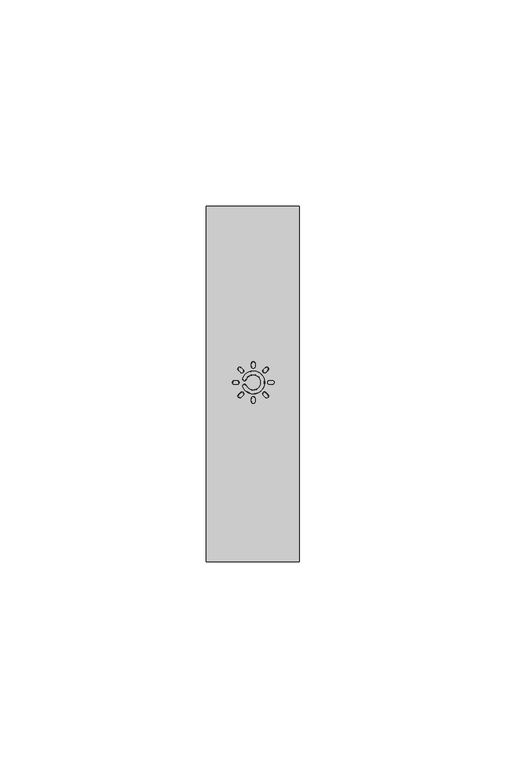
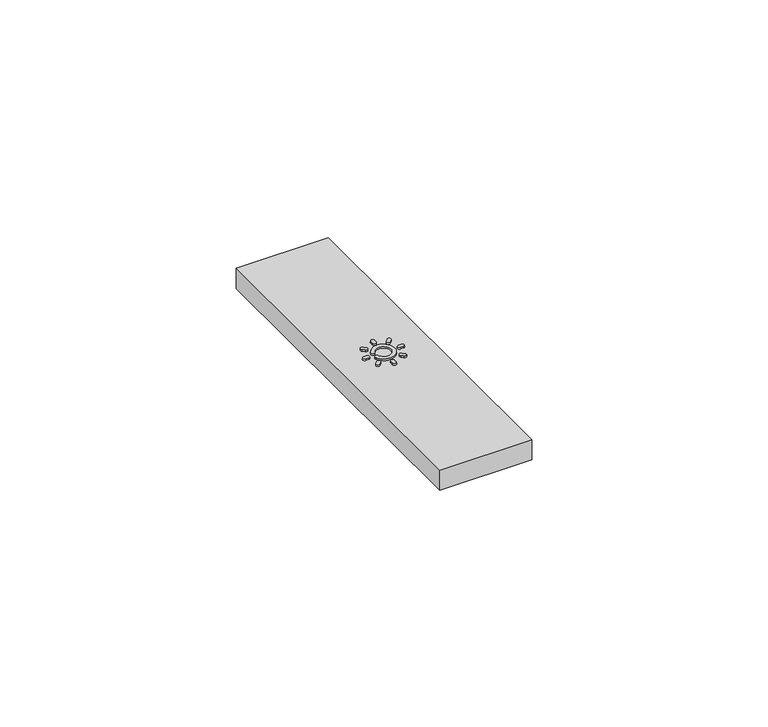
"""IFC4 building model written with IfcOpenShell, lengths in millimetres: proxy geometry."""

import ifcopenshell
import ifcopenshell.guid

model = None  # the IFC model being written
_history = None  # IfcOwnerHistory: only IFC2X3 demands one
_inside = {}  # id of a spatial element -> (the spatial element, [elements in it])
_under = {}  # id of a project, library or spatial element -> (it, [spatial elements below it])
_declared = {}  # id of a project -> (the project, [libraries it declares])
_typed = {}  # id of a type object -> (the type object, [elements of that type])
_made_of = {}  # id of a material, layer set ... -> (it, [elements and type objects made of it])


def new_model(schema):
    """Start an empty IFC model of exactly this schema.

    Asked for "IFC4X3", IfcOpenShell would pick the latest addendum, in which some entities
    have other attributes; the version numbers below select the first issue.
    IFC2X3 requires an IfcOwnerHistory on every rooted entity: one is made here for all.
    """
    global model, _history
    if schema == "IFC4X3":
        model = ifcopenshell.file(schema_version=(4, 3, 0, 0))
    else:
        model = ifcopenshell.file(schema=schema)
    _inside.clear()
    _under.clear()
    _declared.clear()
    _typed.clear()
    _made_of.clear()
    _history = None
    if model.schema == "IFC2X3":
        org = make("IfcOrganization", Name="unknown")
        user = make(
            "IfcPersonAndOrganization",
            ThePerson=make("IfcPerson", FamilyName="unknown"),
            TheOrganization=org,
        )
        app = make(
            "IfcApplication",
            ApplicationDeveloper=org,
            Version="unknown",
            ApplicationFullName="unknown",
            ApplicationIdentifier="unknown",
        )
        _history = make(
            "IfcOwnerHistory",
            OwningUser=user,
            OwningApplication=app,
            ChangeAction="ADDED",
            CreationDate=0,
        )
    return model


def make(cls, **values):
    """One entity of the class cls with the attributes given. An attribute that is None is left unset."""
    return model.create_entity(
        cls, **{name: value for name, value in values.items() if value is not None}
    )


def rooted(cls, **values):
    """An entity with a GlobalId (a new one), such as an element, a storey or a relation."""
    return make(cls, GlobalId=ifcopenshell.guid.new(), OwnerHistory=_history, **values)


def si_unit(unit_type, name, prefix=None):
    """IfcSIUnit, for example si_unit("LENGTHUNIT", "METRE", prefix="MILLI")."""
    return make("IfcSIUnit", UnitType=unit_type, Prefix=prefix, Name=name)


def assignment(units):
    """IfcUnitAssignment: the units of a project."""
    return None if units is None else make("IfcUnitAssignment", Units=units)


def point(xyz):
    """IfcCartesianPoint."""
    return None if xyz is None else make("IfcCartesianPoint", Coordinates=xyz)


def direction(xyz):
    """IfcDirection."""
    return None if xyz is None else make("IfcDirection", DirectionRatios=xyz)


def frame(location, z_axis=None, x_axis=None):
    """IfcAxis2Placement3D, a coordinate frame: its origin and axes. An axis left out is left unset."""
    return make(
        "IfcAxis2Placement3D",
        Location=point(location),
        Axis=direction(z_axis),
        RefDirection=direction(x_axis),
    )


def origin():
    """The frame at (0, 0, 0) with its axes left unset."""
    return frame((0.0, 0.0, 0.0))


def place(relative_to, where):
    """IfcLocalPlacement: puts the frame where relative to a parent placement (None: the world)."""
    return make(
        "IfcLocalPlacement", PlacementRelTo=relative_to, RelativePlacement=where
    )


def context(
    kind, dimensions, precision=None, world=None, true_north=None, identifier=None
):
    """IfcGeometricRepresentationContext, for example the 3D "Model" context."""
    return make(
        "IfcGeometricRepresentationContext",
        ContextIdentifier=identifier,
        ContextType=kind,
        CoordinateSpaceDimension=dimensions,
        Precision=precision,
        WorldCoordinateSystem=world,
        TrueNorth=true_north,
    )


def project(units=None, contexts=None):
    """IfcProject with its units and contexts."""
    return rooted(
        "IfcProject",
        Name="project",
        RepresentationContexts=contexts,
        UnitsInContext=assignment(units),
    )


def spatial(cls, under=None, at=None, **own):
    """A site, building, storey or space (cls), placed at a placement, below another one or the project."""
    s = rooted(cls, ObjectPlacement=at, **own)
    if under is not None:
        _under.setdefault(under.id(), (under, []))[1].append(s)
    return s


def polyline(points):
    """IfcPolyline through the points."""
    return make("IfcPolyline", Points=[point(p) for p in points])


def circle_curve(where, radius):
    """IfcCircle in the frame where."""
    return make("IfcCircle", Position=where, Radius=radius)


def outline(outer, holes=None, kind="AREA"):
    """IfcArbitraryClosedProfileDef: a profile drawn as a closed curve; with holes, ...WithVoids."""
    if holes is None:
        return make("IfcArbitraryClosedProfileDef", ProfileType=kind, OuterCurve=outer)
    return make(
        "IfcArbitraryProfileDefWithVoids",
        ProfileType=kind,
        OuterCurve=outer,
        InnerCurves=holes,
    )


def extrude(swept, where, along, depth):
    """IfcExtrudedAreaSolid: the profile swept, set in the frame where, extruded along a direction by depth."""
    return make(
        "IfcExtrudedAreaSolid",
        SweptArea=swept,
        Position=where,
        ExtrudedDirection=direction(along),
        Depth=depth,
    )


def shape(context_of_items, identifier, shape_type, items):
    """IfcShapeRepresentation: the items that make up one representation, for example the "Body"."""
    return make(
        "IfcShapeRepresentation",
        ContextOfItems=context_of_items,
        RepresentationIdentifier=identifier,
        RepresentationType=shape_type,
        Items=items,
    )


def source(mapping_origin, context_of_items, identifier, shape_type, items):
    """IfcRepresentationMap: a shape defined once, which mapped items show again and again."""
    return make(
        "IfcRepresentationMap",
        MappingOrigin=mapping_origin,
        MappedRepresentation=shape(context_of_items, identifier, shape_type, items),
    )


def transform(
    local_origin,
    x_axis=None,
    y_axis=None,
    z_axis=None,
    scale=None,
    scale2=None,
    scale3=None,
    uniform=True,
):
    """IfcCartesianTransformationOperator3D, or its non-uniform kind. x_axis, y_axis, z_axis: its Axis1, 2, 3."""
    if uniform:
        return make(
            "IfcCartesianTransformationOperator3D",
            Axis1=direction(x_axis),
            Axis2=direction(y_axis),
            LocalOrigin=point(local_origin),
            Scale=scale,
            Axis3=direction(z_axis),
        )
    return make(
        "IfcCartesianTransformationOperator3DnonUniform",
        Axis1=direction(x_axis),
        Axis2=direction(y_axis),
        LocalOrigin=point(local_origin),
        Scale=scale,
        Axis3=direction(z_axis),
        Scale2=scale2,
        Scale3=scale3,
    )


def mapped(mapping_source, mapping_target):
    """IfcMappedItem: shows the shape of a source again, moved by a transform."""
    return make(
        "IfcMappedItem", MappingSource=mapping_source, MappingTarget=mapping_target
    )


def made_of(thing, what):
    """Note that an element or type object is made of a material, layer set ...; save() writes the relation."""
    if what is not None:
        _made_of.setdefault(what.id(), (what, []))[1].append(thing)
    return thing


def element(
    cls,
    number,
    at=None,
    inside=None,
    cuts=None,
    type_object=None,
    material=None,
    context=None,
    identifier="Body",
    shape_type=None,
    held_by="IfcProductDefinitionShape",
    body=None,
    shapes=None,
    **own,
):
    """One element of the class cls, such as IfcWall. Its Tag is "e" and its number.

    at: its placement. inside: the storey or other place that contains it. cuts: it is an
    opening in that element (IfcRelVoidsElement). A single representation is given by context,
    identifier, shape_type and body (its items); several are given by shapes. held_by: the class
    of the entity that holds the representations. save() writes the other relations.
    """
    e = rooted(cls, Tag="e%d" % number, ObjectPlacement=at, **own)
    if body is not None:
        shapes = [shape(context, identifier, shape_type, body)]
    if shapes is not None:
        e.Representation = make(held_by, Representations=shapes)
    if inside is not None:
        _inside.setdefault(inside.id(), (inside, []))[1].append(e)
    if cuts is not None:
        rooted(
            "IfcRelVoidsElement", RelatingBuildingElement=cuts, RelatedOpeningElement=e
        )
    if type_object is not None:
        _typed.setdefault(type_object.id(), (type_object, []))[1].append(e)
    return made_of(e, material)


def aggregate(whole, parts):
    """IfcRelAggregates: a whole, such as a stair, and the parts it consists of."""
    return rooted("IfcRelAggregates", RelatingObject=whole, RelatedObjects=parts)


def save(model, path):
    """Write the relations noted so far, then the file.

    IfcRelAggregates (storeys below a building ...), IfcRelContainedInSpatialStructure (elements
    in a storey), IfcRelDefinesByType, IfcRelAssociatesMaterial and IfcRelDeclares: one each for
    every whole, place, type object, material and project.
    """
    for whole, parts in _under.values():
        aggregate(whole, parts)
    for where, things in _inside.values():
        rooted(
            "IfcRelContainedInSpatialStructure",
            RelatedElements=things,
            RelatingStructure=where,
        )
    for kind, things in _typed.values():
        rooted("IfcRelDefinesByType", RelatedObjects=things, RelatingType=kind)
    for what, things in _made_of.values():
        rooted("IfcRelAssociatesMaterial", RelatedObjects=things, RelatingMaterial=what)
    for by, libraries in _declared.values():
        rooted("IfcRelDeclares", RelatingContext=by, RelatedDefinitions=libraries)
    model.write(path)


def plane_surface(at):
    """IfcPlane: the flat surface through the origin of the frame at, square to its z axis."""
    return make("IfcPlane", Position=at)


def revolved_surface(curve, axis_point, axis_direction):
    """IfcSurfaceOfRevolution: the curve turned about the line through axis_point along axis_direction."""
    return make(
        "IfcSurfaceOfRevolution",
        SweptCurve=make("IfcArbitraryOpenProfileDef", ProfileType="CURVE", Curve=curve),
        AxisPosition=make("IfcAxis1Placement", Location=point(axis_point), Axis=direction(axis_direction)),
    )


def advanced_brep(points, edges, surfaces, faces):
    """IfcAdvancedBrep: a solid bounded by faces that lie on surfaces and meet in shared edges.

    An edge is (start, end): straight between two places in points (the first is 0);
    or (start, end, curve); or (start, end, curve, False) where it runs against its curve.
    A face is (place in surfaces, loops), or (place, loops, False) where it looks against
    its surface's normal. A loop lists edges by number (the first is 1), with a minus sign
    where the edge is run from its end to its start. The first loop is the outer one.
    """
    corners = [point(p) for p in points]
    vertices = [make("IfcVertexPoint", VertexGeometry=c) for c in corners]
    made = []
    for start, end, *more in edges:
        made.append(
            make(
                "IfcEdgeCurve",
                EdgeStart=vertices[start],
                EdgeEnd=vertices[end],
                EdgeGeometry=more[0] if more else make("IfcPolyline", Points=[corners[start], corners[end]]),
                SameSense=more[1] if len(more) > 1 else True,
            )
        )
    hull = []
    for where, loops, *sense in faces:
        bounds = []
        for j, loop in enumerate(loops):
            ring = [make("IfcOrientedEdge", EdgeElement=made[abs(k) - 1], Orientation=k > 0) for k in loop]
            bounds.append(
                make(
                    "IfcFaceOuterBound" if j == 0 else "IfcFaceBound",
                    Bound=make("IfcEdgeLoop", EdgeList=ring),
                    Orientation=True,
                )
            )
        hull.append(make("IfcAdvancedFace", Bounds=bounds, FaceSurface=surfaces[where], SameSense=sense[0] if sense else True))
    return make("IfcAdvancedBrep", Outer=make("IfcClosedShell", CfsFaces=hull))


def electrical_fixtures_375c4212(model_context):
    return source(origin(), model_context, "Body", "SolidModel", [
        advanced_brep(
        [(6.7379609, 43.8107748, 11.1074072), (6.7379609, 42.94208, 11.1074072), (7.4379655, 42.94208, 11.1074072), (7.4379609, 43.8107748, 11.1074072), (7.4379609, 43.8464183, 10.7), (7.4379655, 42.9064365, 10.7), (6.7379609, 42.9064365, 10.7), (6.7379609, 43.8464183, 10.7)],
        [
            (0, 1, circle_curve(frame((6.7379609, 43.3764274, 11.1074072), z_axis=(0.0, 0.0, 1.0), x_axis=(0.0, 1.0000000000000002, 0.0)), 0.4343474)),
            (1, 2),
            (2, 3, circle_curve(frame((7.4379609, 43.3764274, 11.1074072), z_axis=(0.0, 0.0, 1.0), x_axis=(1.1578075136041428e-05, -0.9999999999329744, 0.0)), 0.4343474)),
            (3, 0),
            (4, 5, circle_curve(frame((7.4379609, 43.3764274, 10.7), z_axis=(0.0, 0.0, -1.0), x_axis=(1.1578075136041428e-05, -0.9999999999329744, 0.0)), 0.4699909)),
            (5, 6),
            (6, 7, circle_curve(frame((6.7379609, 43.3764274, 10.7), z_axis=(0.0, 0.0, -1.0), x_axis=(0.0, 1.0000000000000002, 0.0)), 0.4699909)),
            (7, 4),
            (7, 0),
            (3, 4),
            (6, 1),
            (5, 2),
        ],
        [
            plane_surface(frame((11.3379609, 43.3764274, 11.1074072), z_axis=(0.0, 0.0, 1.0), x_axis=(1.0, 0.0, 0.0))),
            plane_surface(frame((11.3379609, 43.3764274, 10.7), z_axis=(0.0, 0.0, -1.0), x_axis=(1.0, 0.0, 0.0))),
            plane_surface(frame((11.3379609, 43.7764274, 11.5), z_axis=(0.0, 0.9961946980917439, 0.0871557427476776), x_axis=(-1.0, 0.0, 0.0))),
            revolved_surface(polyline([(6.7379609, 43.81077479075854, 11.1074072), (6.7379609, 43.8464183, 10.7)]), (6.7379609, 43.3764274, 16.0720209), (0.0, 0.0, -1.0)),
            plane_surface(frame((11.3379609, 42.9764274, 11.5), z_axis=(0.0, -0.9961946980917439, 0.0871557427476776), x_axis=(-1.0, 0.0, 0.0))),
            revolved_surface(polyline([(7.437965151141879, 42.94208000924146, 11.1074072), (7.4379655, 42.9064365, 10.7)]), (7.4379609, 43.3764274, 16.0720209), (0.0, 0.0, -1.0)),
        ],
        [
            (0, [[1, 2, 3, 4]]),
            (1, [[5, 6, 7, 8]]),
            (2, [[-8, 9, -4, 10]]),
            (3, [[-7, 11, -1, -9]]),
            (4, [[12, -2, -11, -6]]),
            (5, [[-5, -10, -3, -12]]),
        ],
    ),
        advanced_brep(
        [(7.7781397, 40.4308662, 11.1074072), (8.3923997, 39.8166062, 11.1074072), (8.8873777, 40.3115842, 11.1074072), (8.2731145, 40.925841, 11.1074072), (8.4176035, 39.7914024, 10.7), (7.752936, 40.45607, 10.7), (8.2479107, 40.9510447, 10.7), (8.9125815, 40.2863804, 10.7)],
        [
            (0, 1, circle_curve(frame((8.0852697, 40.1237362, 11.1074072), z_axis=(0.0, 0.0, 1.0), x_axis=(-0.7071067811865489, 0.7071067811865462, 0.0)), 0.4343474)),
            (1, 2),
            (2, 3, circle_curve(frame((8.5802445, 40.618711, 11.1074072), z_axis=(0.0, 0.0, 1.0), x_axis=(0.7071149680746551, -0.7070985942036513, 0.0)), 0.4343474)),
            (3, 0),
            (4, 5, circle_curve(frame((8.0852697, 40.1237362, 10.7), z_axis=(0.0, 0.0, -1.0), x_axis=(-0.7071067811865489, 0.7071067811865462, 0.0)), 0.4699909)),
            (5, 6),
            (6, 7, circle_curve(frame((8.5802445, 40.618711, 10.7), z_axis=(0.0, 0.0, -1.0), x_axis=(0.7071149680746551, -0.7070985942036513, 0.0)), 0.4699909)),
            (7, 4),
            (5, 0),
            (3, 6),
            (4, 1),
            (7, 2),
        ],
        [
            plane_surface(frame((11.3379609, 43.3764274, 11.1074072), z_axis=(0.0, 0.0, 1.0), x_axis=(1.0, 0.0, 0.0))),
            plane_surface(frame((11.3379609, 43.3764274, 10.7), z_axis=(0.0, 0.0, -1.0), x_axis=(1.0, 0.0, 0.0))),
            plane_surface(frame((11.0551182, 43.6592701, 11.5), z_axis=(-0.7044160264027598, 0.7044160264027562, 0.08715574274767007), x_axis=(0.7071067811865458, 0.7071067811865493, 0.0))),
            revolved_surface(polyline([(7.778139763109455, 40.43086622930667, 11.1074072), (7.752936, 40.45607, 10.7)]), (8.0852697, 40.1237362, 16.0720209), (0.0, 0.0, -1.0)),
            plane_surface(frame((11.6208036, 43.0935847, 11.5), z_axis=(0.7044160264027598, -0.7044160264027562, 0.08715574274767007), x_axis=(-0.7071067811865458, -0.7071067811865493, 0.0))),
            revolved_surface(polyline([(8.887377486622762, 40.31158392800941, 11.1074072), (8.9125815, 40.2863804, 10.7)]), (8.5802445, 40.618711, 16.0720209), (0.0, 0.0, -1.0)),
        ],
        [
            (0, [[1, 2, 3, 4]]),
            (1, [[5, 6, 7, 8]]),
            (2, [[9, -4, 10, -6]]),
            (3, [[-5, 11, -1, -9]]),
            (4, [[12, -2, -11, -8]]),
            (5, [[-7, -10, -3, -12]]),
        ],
    ),
        advanced_brep(
        [(10.9036135, 38.7764274, 11.1074072), (11.7723084, 38.7764274, 11.1074072), (11.7723084, 39.4764324, 11.1074072), (10.9036135, 39.4764274, 11.1074072), (10.86797, 39.4764274, 10.7), (11.8079519, 39.4764328, 10.7), (11.8079519, 38.7764274, 10.7), (10.86797, 38.7764274, 10.7)],
        [
            (0, 1, circle_curve(frame((11.3379609, 38.7764274, 11.1074072), z_axis=(0.0, 0.0, 1.0), x_axis=(-1.0000000000000002, 0.0, 0.0)), 0.4343474)),
            (1, 2),
            (2, 3, circle_curve(frame((11.3379609, 39.4764274, 11.1074072), z_axis=(0.0, 0.0, 1.0), x_axis=(0.9999999999329744, 1.1578075136041428e-05, 0.0)), 0.4343474)),
            (3, 0),
            (4, 5, circle_curve(frame((11.3379609, 39.4764274, 10.7), z_axis=(0.0, 0.0, -1.0), x_axis=(0.9999999999329744, 1.1578075136041428e-05, 0.0)), 0.4699909)),
            (5, 6),
            (6, 7, circle_curve(frame((11.3379609, 38.7764274, 10.7), z_axis=(0.0, 0.0, -1.0), x_axis=(-1.0000000000000002, 0.0, 0.0)), 0.4699909)),
            (7, 4),
            (4, 3),
            (2, 5),
            (7, 0),
            (6, 1),
        ],
        [
            plane_surface(frame((11.3379609, 43.3764274, 11.1074072), z_axis=(0.0, 0.0, 1.0), x_axis=(1.0, 0.0, 0.0))),
            plane_surface(frame((11.3379609, 43.3764274, 10.7), z_axis=(0.0, 0.0, -1.0), x_axis=(1.0, 0.0, 0.0))),
            revolved_surface(polyline([(11.772308383174666, 39.4764323904709, 11.1074072), (11.8079519, 39.4764328, 10.7)]), (11.3379609, 39.4764274, 16.0720209), (0.0, 0.0, -1.0)),
            plane_surface(frame((10.9379609, 43.3764274, 11.5), z_axis=(-0.9961946980917439, 0.0, 0.0871557427476776), x_axis=(0.0, -1.0, 0.0))),
            revolved_surface(polyline([(10.903613509241463, 38.7764274, 11.1074072), (10.86797, 38.7764274, 10.7)]), (11.3379609, 38.7764274, 16.0720209), (0.0, 0.0, -1.0)),
            plane_surface(frame((11.7379609, 43.3764274, 11.5), z_axis=(0.9961946980917439, 0.0, 0.0871557427476776), x_axis=(0.0, -1.0, 0.0))),
        ],
        [
            (0, [[1, 2, 3, 4]]),
            (1, [[5, 6, 7, 8]]),
            (2, [[-5, 9, -3, 10]]),
            (3, [[-8, 11, -4, -9]]),
            (4, [[-7, 12, -1, -11]]),
            (5, [[-10, -2, -12, -6]]),
        ],
    ),
        advanced_brep(
        [(14.2835221, 39.8166062, 11.1074072), (14.8977821, 40.4308662, 11.1074072), (14.4028041, 40.9258442, 11.1074072), (13.7885474, 40.3115809, 11.1074072), (14.9229859, 40.45607, 10.7), (14.2583184, 39.7914024, 10.7), (13.7633436, 40.2863772, 10.7), (14.4280079, 40.951048, 10.7)],
        [
            (0, 1, circle_curve(frame((14.5906521, 40.1237362, 11.1074072), z_axis=(0.0, 0.0, 1.0), x_axis=(-0.7071067811865462, -0.7071067811865489, 0.0)), 0.4343474)),
            (1, 2),
            (2, 3, circle_curve(frame((14.0956774, 40.618711, 11.1074072), z_axis=(0.0, 0.0, 1.0), x_axis=(0.707098594203652, 0.7071149680746545, 0.0)), 0.4343474)),
            (3, 0),
            (4, 5, circle_curve(frame((14.5906521, 40.1237362, 10.7), z_axis=(0.0, 0.0, -1.0), x_axis=(-0.7071067811865462, -0.7071067811865489, 0.0)), 0.4699909)),
            (5, 6),
            (6, 7, circle_curve(frame((14.0956774, 40.618711, 10.7), z_axis=(0.0, 0.0, -1.0), x_axis=(0.707098594203652, 0.7071149680746545, 0.0)), 0.4699909)),
            (7, 4),
            (7, 2),
            (1, 4),
            (6, 3),
            (5, 0),
        ],
        [
            plane_surface(frame((11.3379609, 43.3764274, 11.1074072), z_axis=(0.0, 0.0, 1.0), x_axis=(1.0, 0.0, 0.0))),
            plane_surface(frame((11.3379609, 43.3764274, 10.7), z_axis=(0.0, 0.0, -1.0), x_axis=(1.0, 0.0, 0.0))),
            plane_surface(frame((11.6208036, 43.6592701, 11.5), z_axis=(0.7044160264027562, 0.7044160264027598, 0.08715574274767007), x_axis=(0.7071067811865493, -0.7071067811865458, 0.0))),
            revolved_surface(polyline([(14.402804379574457, 40.92584398662276, 11.1074072), (14.4280079, 40.951048, 10.7)]), (14.0956774, 40.618711, 16.0720209), (0.0, 0.0, -1.0)),
            plane_surface(frame((11.0551182, 43.0935847, 11.5), z_axis=(-0.7044160264027562, -0.7044160264027598, 0.08715574274767007), x_axis=(-0.7071067811865493, 0.7071067811865458, 0.0))),
            revolved_surface(polyline([(14.283522163109454, 39.816606170693326, 11.1074072), (14.2583184, 39.7914024, 10.7)]), (14.5906521, 40.1237362, 16.0720209), (0.0, 0.0, -1.0)),
        ],
        [
            (0, [[1, 2, 3, 4]]),
            (1, [[5, 6, 7, 8]]),
            (2, [[9, -2, 10, -8]]),
            (3, [[-7, 11, -3, -9]]),
            (4, [[12, -4, -11, -6]]),
            (5, [[-5, -10, -1, -12]]),
        ],
    ),
        advanced_brep(
        [(15.9379609, 42.94208, 11.1074072), (15.9379609, 43.8107748, 11.1074072), (15.2379563, 43.8107748, 11.1074072), (15.2379609, 42.94208, 11.1074072), (15.2379609, 42.9064365, 10.7), (15.2379563, 43.8464183, 10.7), (15.9379609, 43.8464183, 10.7), (15.9379609, 42.9064365, 10.7)],
        [
            (0, 1, circle_curve(frame((15.9379609, 43.3764274, 11.1074072), z_axis=(0.0, 0.0, 1.0), x_axis=(0.0, -1.0000000000000002, 0.0)), 0.4343474)),
            (1, 2),
            (2, 3, circle_curve(frame((15.2379609, 43.3764274, 11.1074072), z_axis=(0.0, 0.0, 1.0), x_axis=(-1.1578075137363286e-05, 0.9999999999329744, 0.0)), 0.4343474)),
            (3, 0),
            (4, 5, circle_curve(frame((15.2379609, 43.3764274, 10.7), z_axis=(0.0, 0.0, -1.0), x_axis=(-1.1578075137363286e-05, 0.9999999999329744, 0.0)), 0.4699909)),
            (5, 6),
            (6, 7, circle_curve(frame((15.9379609, 43.3764274, 10.7), z_axis=(0.0, 0.0, -1.0), x_axis=(0.0, -1.0000000000000002, 0.0)), 0.4699909)),
            (7, 4),
            (5, 2),
            (1, 6),
            (4, 3),
            (7, 0),
        ],
        [
            plane_surface(frame((11.3379609, 43.3764274, 11.1074072), z_axis=(0.0, 0.0, 1.0), x_axis=(1.0, 0.0, 0.0))),
            plane_surface(frame((11.3379609, 43.3764274, 10.7), z_axis=(0.0, 0.0, -1.0), x_axis=(1.0, 0.0, 0.0))),
            plane_surface(frame((11.3379609, 43.7764274, 11.5), z_axis=(0.0, 0.9961946980917439, 0.0871557427476776), x_axis=(1.0, 0.0, 0.0))),
            revolved_surface(polyline([(15.237956648858122, 43.81077479075854, 11.1074072), (15.2379563, 43.8464183, 10.7)]), (15.2379609, 43.3764274, 16.0720209), (0.0, 0.0, -1.0)),
            plane_surface(frame((11.3379609, 42.9764274, 11.5), z_axis=(0.0, -0.9961946980917439, 0.0871557427476776), x_axis=(1.0, 0.0, 0.0))),
            revolved_surface(polyline([(15.9379609, 42.94208000924146, 11.1074072), (15.9379609, 42.9064365, 10.7)]), (15.9379609, 43.3764274, 16.0720209), (0.0, 0.0, -1.0)),
        ],
        [
            (0, [[1, 2, 3, 4]]),
            (1, [[5, 6, 7, 8]]),
            (2, [[9, -2, 10, -6]]),
            (3, [[-5, 11, -3, -9]]),
            (4, [[-8, 12, -4, -11]]),
            (5, [[-7, -10, -1, -12]]),
        ],
    ),
        advanced_brep(
        [(14.8977821, 46.3219886, 11.1074072), (14.2835221, 46.9362486, 11.1074072), (13.7885441, 46.4412706, 11.1074072), (14.4028074, 45.8270138, 11.1074072), (14.4280112, 45.8018101, 10.7), (13.7633403, 46.4664744, 10.7), (14.2583184, 46.9614524, 10.7), (14.9229859, 46.2967848, 10.7)],
        [
            (0, 1, circle_curve(frame((14.5906521, 46.6291186, 11.1074072), z_axis=(0.0, 0.0, 1.0), x_axis=(0.7071067811865489, -0.7071067811865462, 0.0)), 0.4343474)),
            (1, 2),
            (2, 3, circle_curve(frame((14.0956774, 46.1341439, 11.1074072), z_axis=(0.0, 0.0, 1.0), x_axis=(-0.7071149680746551, 0.7070985942036513, 0.0)), 0.4343474)),
            (3, 0),
            (4, 5, circle_curve(frame((14.0956774, 46.1341439, 10.7), z_axis=(0.0, 0.0, -1.0), x_axis=(-0.7071149680746551, 0.7070985942036513, 0.0)), 0.4699909)),
            (5, 6),
            (6, 7, circle_curve(frame((14.5906521, 46.6291186, 10.7), z_axis=(0.0, 0.0, -1.0), x_axis=(0.7071067811865489, -0.7071067811865462, 0.0)), 0.4699909)),
            (7, 4),
            (6, 1),
            (0, 7),
            (5, 2),
            (4, 3),
        ],
        [
            plane_surface(frame((11.3379609, 43.3764274, 11.1074072), z_axis=(0.0, 0.0, 1.0), x_axis=(1.0, 0.0, 0.0))),
            plane_surface(frame((11.3379609, 43.3764274, 10.7), z_axis=(0.0, 0.0, -1.0), x_axis=(1.0, 0.0, 0.0))),
            revolved_surface(polyline([(14.897782129306673, 46.32198857069332, 11.1074072), (14.9229859, 46.2967848, 10.7)]), (14.5906521, 46.6291186, 16.0720209), (0.0, 0.0, -1.0)),
            plane_surface(frame((11.0551182, 43.6592701, 11.5), z_axis=(-0.7044160264027598, 0.7044160264027562, 0.08715574274767007), x_axis=(0.7071067811865458, 0.7071067811865493, 0.0))),
            revolved_surface(polyline([(13.78854432096111, 46.44127087957446, 11.1074072), (13.7633403, 46.4664744, 10.7)]), (14.0956774, 46.1341439, 16.0720209), (0.0, 0.0, -1.0)),
            plane_surface(frame((11.6208036, 43.0935847, 11.5), z_axis=(0.7044160264027598, -0.7044160264027562, 0.08715574274767007), x_axis=(-0.7071067811865458, -0.7071067811865493, 0.0))),
        ],
        [
            (0, [[1, 2, 3, 4]]),
            (1, [[5, 6, 7, 8]]),
            (2, [[-7, 9, -1, 10]]),
            (3, [[11, -2, -9, -6]]),
            (4, [[-5, 12, -3, -11]]),
            (5, [[-10, -4, -12, -8]]),
        ],
    ),
        advanced_brep(
        [(11.7723084, 47.9764274, 11.1074072), (10.9036135, 47.9764274, 11.1074072), (10.9036135, 47.2764228, 11.1074072), (11.7723084, 47.2764274, 11.1074072), (11.8079519, 47.2764274, 10.7), (10.86797, 47.2764228, 10.7), (10.86797, 47.9764274, 10.7), (11.8079519, 47.9764274, 10.7)],
        [
            (0, 1, circle_curve(frame((11.3379609, 47.9764274, 11.1074072), z_axis=(0.0, 0.0, 1.0), x_axis=(1.0000000000000002, 0.0, 0.0)), 0.4343474)),
            (1, 2),
            (2, 3, circle_curve(frame((11.3379609, 47.2764274, 11.1074072), z_axis=(0.0, 0.0, 1.0), x_axis=(-0.9999999999329744, -1.1578075136041428e-05, 0.0)), 0.4343474)),
            (3, 0),
            (4, 5, circle_curve(frame((11.3379609, 47.2764274, 10.7), z_axis=(0.0, 0.0, -1.0), x_axis=(-0.9999999999329744, -1.1578075136041428e-05, 0.0)), 0.4699909)),
            (5, 6),
            (6, 7, circle_curve(frame((11.3379609, 47.9764274, 10.7), z_axis=(0.0, 0.0, -1.0), x_axis=(1.0000000000000002, 0.0, 0.0)), 0.4699909)),
            (7, 4),
            (6, 1),
            (0, 7),
            (5, 2),
            (4, 3),
        ],
        [
            plane_surface(frame((11.3379609, 43.3764274, 11.1074072), z_axis=(0.0, 0.0, 1.0), x_axis=(1.0, 0.0, 0.0))),
            plane_surface(frame((11.3379609, 43.3764274, 10.7), z_axis=(0.0, 0.0, -1.0), x_axis=(1.0, 0.0, 0.0))),
            revolved_surface(polyline([(11.772308383174666, 47.9764274, 11.1074072), (11.8079519, 47.9764274, 10.7)]), (11.3379609, 47.9764274, 16.0720209), (0.0, 0.0, -1.0)),
            plane_surface(frame((10.9379609, 43.3764274, 11.5), z_axis=(-0.9961946980917439, 0.0, 0.0871557427476776), x_axis=(0.0, 1.0, 0.0))),
            revolved_surface(polyline([(10.903613509241463, 47.27642314885812, 11.1074072), (10.86797, 47.2764228, 10.7)]), (11.3379609, 47.2764274, 16.0720209), (0.0, 0.0, -1.0)),
            plane_surface(frame((11.7379609, 43.3764274, 11.5), z_axis=(0.9961946980917439, 0.0, 0.0871557427476776), x_axis=(0.0, 1.0, 0.0))),
        ],
        [
            (0, [[1, 2, 3, 4]]),
            (1, [[5, 6, 7, 8]]),
            (2, [[-7, 9, -1, 10]]),
            (3, [[11, -2, -9, -6]]),
            (4, [[-5, 12, -3, -11]]),
            (5, [[-8, -10, -4, -12]]),
        ],
    ),
        advanced_brep(
        [(8.3923997, 46.9362486, 11.1074072), (7.7781397, 46.3219886, 11.1074072), (8.2731177, 45.8270106, 11.1074072), (8.8873745, 46.4412739, 11.1074072), (7.752936, 46.2967848, 10.7), (8.4176035, 46.9614524, 10.7), (8.9125783, 46.4664776, 10.7), (8.247914, 45.8018068, 10.7)],
        [
            (0, 1, circle_curve(frame((8.0852697, 46.6291186, 11.1074072), z_axis=(0.0, 0.0, 1.0), x_axis=(0.7071067811865462, 0.7071067811865489, 0.0)), 0.4343474)),
            (1, 2),
            (2, 3, circle_curve(frame((8.5802445, 46.1341439, 11.1074072), z_axis=(0.0, 0.0, 1.0), x_axis=(-0.707098594203652, -0.7071149680746545, 0.0)), 0.4343474)),
            (3, 0),
            (4, 5, circle_curve(frame((8.0852697, 46.6291186, 10.7), z_axis=(0.0, 0.0, -1.0), x_axis=(0.7071067811865462, 0.7071067811865489, 0.0)), 0.4699909)),
            (5, 6),
            (6, 7, circle_curve(frame((8.5802445, 46.1341439, 10.7), z_axis=(0.0, 0.0, -1.0), x_axis=(-0.707098594203652, -0.7071149680746545, 0.0)), 0.4699909)),
            (7, 4),
            (5, 0),
            (3, 6),
            (4, 1),
            (7, 2),
        ],
        [
            plane_surface(frame((11.3379609, 43.3764274, 11.1074072), z_axis=(0.0, 0.0, 1.0), x_axis=(1.0, 0.0, 0.0))),
            plane_surface(frame((11.3379609, 43.3764274, 10.7), z_axis=(0.0, 0.0, -1.0), x_axis=(1.0, 0.0, 0.0))),
            plane_surface(frame((11.6208036, 43.6592701, 11.5), z_axis=(0.7044160264027562, 0.7044160264027598, 0.08715574274767007), x_axis=(0.7071067811865493, -0.7071067811865458, 0.0))),
            revolved_surface(polyline([(8.392399729306673, 46.936248629306675, 11.1074072), (8.4176035, 46.9614524, 10.7)]), (8.0852697, 46.6291186, 16.0720209), (0.0, 0.0, -1.0)),
            plane_surface(frame((11.0551182, 43.0935847, 11.5), z_axis=(-0.7044160264027562, -0.7044160264027598, 0.08715574274767007), x_axis=(-0.7071067811865493, 0.7071067811865458, 0.0))),
            revolved_surface(polyline([(8.273117520425544, 45.827010820961114, 11.1074072), (8.247914, 45.8018068, 10.7)]), (8.5802445, 46.1341439, 16.0720209), (0.0, 0.0, -1.0)),
        ],
        [
            (0, [[1, 2, 3, 4]]),
            (1, [[5, 6, 7, 8]]),
            (2, [[9, -4, 10, -6]]),
            (3, [[-5, 11, -1, -9]]),
            (4, [[12, -2, -11, -8]]),
            (5, [[-7, -10, -3, -12]]),
        ],
    ),
        advanced_brep(
        [(8.8120348, 42.3293587, 11.1074072), (8.8120348, 44.4234961, 11.1074072), (9.6145148, 44.0908454, 11.1074072), (9.6145148, 42.6620095, 11.1074072), (8.7791081, 42.3157097, 10.7), (9.6474415, 42.6756585, 10.7), (9.6474415, 44.0771964, 10.7), (8.7791081, 44.4371451, 10.7)],
        [
            (0, 1, circle_curve(frame((11.3379609, 43.3764274, 11.1074072), z_axis=(0.0, 0.0, 1.0), x_axis=(-0.923776595358987, -0.38293185015999737, 0.0)), 2.7343474)),
            (1, 2, circle_curve(frame((9.2132748, 44.2571708, 11.1074072), z_axis=(0.0, 0.0, 1.0), x_axis=(-0.9237767842218566, 0.3829313945509376, 0.0)), 0.4343474)),
            (2, 3, circle_curve(frame((11.3379609, 43.3764274, 11.1074072), z_axis=(0.0, 0.0, -1.0), x_axis=(-0.9237765614277774, -0.3829319320149103, 0.0)), 1.8656526)),
            (3, 0, circle_curve(frame((9.2132748, 42.495684, 11.1074072), z_axis=(0.0, 0.0, 1.0), x_axis=(0.9237766294580904, 0.38293176790004013, 0.0)), 0.4343474)),
            (4, 5, circle_curve(frame((9.2132748, 42.495684, 10.7), z_axis=(0.0, 0.0, -1.0), x_axis=(0.9237766294580904, 0.38293176790004013, 0.0)), 0.4699909)),
            (5, 6, circle_curve(frame((11.3379609, 43.3764274, 10.7), z_axis=(0.0, 0.0, 1.0), x_axis=(-0.9237765614277774, -0.3829319320149103, 0.0)), 1.8300091)),
            (6, 7, circle_curve(frame((9.2132748, 44.2571708, 10.7), z_axis=(0.0, 0.0, -1.0), x_axis=(-0.9237767842218566, 0.3829313945509376, 0.0)), 0.4699909)),
            (7, 4, circle_curve(frame((11.3379609, 43.3764274, 10.7), z_axis=(0.0, 0.0, -1.0), x_axis=(-0.923776595358987, -0.38293185015999737, 0.0)), 2.7699909)),
            (4, 0),
            (3, 5),
            (7, 1),
            (6, 2),
        ],
        [
            plane_surface(frame((11.3379609, 43.3764274, 11.1074072), z_axis=(0.0, 0.0, 1.0), x_axis=(1.0, 0.0, 0.0))),
            plane_surface(frame((11.3379609, 43.3764274, 10.7), z_axis=(0.0, 0.0, -1.0), x_axis=(1.0, 0.0, 0.0))),
            revolved_surface(polyline([(9.614514852305788, 42.66200946391445, 11.1074072), (9.6474415, 42.6756585, 10.7)]), (9.2132748, 42.495684, 16.0720209), (0.0, 0.0, -1.0)),
            revolved_surface(polyline([(8.81203474177437, 42.32935873511903, 11.1074072), (8.7791081, 42.3157097, 10.7)]), (11.3379609, 43.3764274, 42.3611412), (0.0, 0.0, -1.0)),
            revolved_surface(polyline([(8.812034747694211, 44.4234960790822, 11.1074072), (8.7791081, 44.4371451, 10.7)]), (9.2132748, 44.2571708, 16.0720209), (0.0, 0.0, -1.0)),
            revolved_surface(polyline([(9.6145148, 42.6620095, 11.107407199999999), (9.647441439904153, 42.67565853778214, 10.699999999999998)]), (11.3379609, 43.3764274, -10.2170994), (0.0, 0.0, 1.0)),
        ],
        [
            (0, [[1, 2, 3, 4]]),
            (1, [[5, 6, 7, 8]]),
            (2, [[-5, 9, -4, 10]]),
            (3, [[-8, 11, -1, -9]]),
            (4, [[-7, 12, -2, -11]]),
            (5, [[-6, -10, -3, -12]]),
        ],
    ),
        extrude(outline(polyline([(0.0, 0.0), (0.0, 86.0), (22.5, 86.0), (22.5, 0.0), (0.0, 0.0)])), frame((0.0, 0.0, 5.5), z_axis=(0.0, 0.0, 1.0), x_axis=(1.0, 0.0, 0.0)), (0.0, 0.0, 1.0), 5.2),
    ])


if __name__ == "__main__":
    model = new_model("IFC4")
    model_context = context("Model", 3, world=origin())
    ifc_project = project(units=[si_unit("LENGTHUNIT", "METRE", prefix="MILLI")], contexts=[model_context])
    site = spatial("IfcSite", under=ifc_project)
    building = spatial("IfcBuilding", under=site)
    placement = place(None, origin())
    electrical_fixtures_shape = electrical_fixtures_375c4212(model_context)
    element("IfcBuildingElementProxy", 1, Name="Electrical Fixtures", at=placement, inside=building, context=model_context, shape_type="MappedRepresentation", body=[
        mapped(electrical_fixtures_shape, transform((0.0, 0.0, 0.0), x_axis=(1.0, 0.0, 0.0), y_axis=(0.0, 1.0, 0.0), z_axis=(0.0, 0.0, 1.0))),
    ])
    save(model, "model.ifc")
